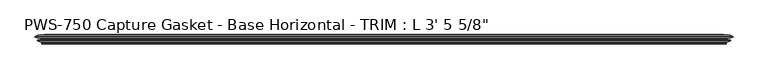
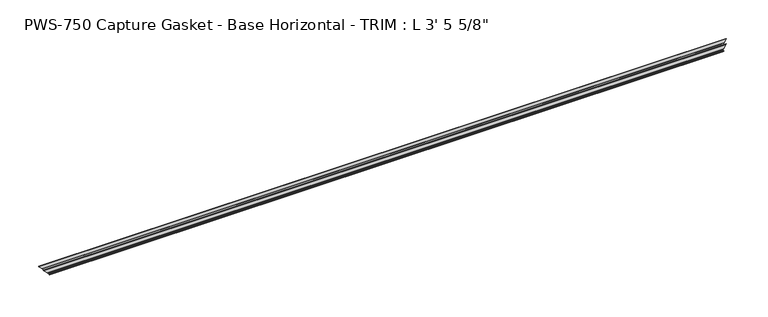
"""IFC4 building model written with IfcOpenShell, lengths in millimetres: proxy geometry."""

from ifc_helpers import new_model, si_unit, origin, place, context, project, spatial, faceted_brep, source, transform, mapped, element, save


def proxy_ec38c475(model_context):
    return source(origin(), model_context, "Body", "Brep", [
        faceted_brep([(1046.7569896, -11.3058688, 3.7741579), (1047.3055985, -10.5185521, 4.3227669), (9.9694015, -10.5185521, 4.3227669), (10.5180104, -11.3058688, 3.7741579), (1050.4208472, -10.1484847, 7.4380156), (6.8541528, -10.1484847, 7.4380156), (1049.1215317, -11.2380874, 6.1387001), (8.1534683, -11.2380874, 6.1387001), (1053.0662413, -9.8326365, 10.0834097), (4.2087587, -9.8326365, 10.0834097), (1053.6555985, -9.077363, 10.6727669), (3.6194015, -9.077363, 10.6727669), (1053.0294399, -8.3570499, 10.0466082), (4.2455601, -8.3570499, 10.0466082), (1049.1215317, -6.964711, 6.1387001), (8.1534683, -6.964711, 6.1387001), (1050.4208472, -8.0543136, 7.4380156), (6.8541528, -8.0543136, 7.4380156), (1047.3055985, -7.6842462, 4.3227669), (9.9694015, -7.6842462, 4.3227669), (1047.3055985, -4.8395867, 4.3227669), (9.9694015, -4.8395867, 4.3227669), (1052.8924953, -4.8395867, 9.9096637), (4.3825047, -4.8395867, 9.9096637), (0.0, -3.7618735, 14.2921683), (1057.275, -3.7618735, 14.2921683), (1057.0284438, -2.7592562, 14.0456121), (0.2465562, -2.7592562, 14.0456121), (1051.9263857, -0.3893608, 8.9435541), (5.3486143, -0.3893608, 8.9435541), (1053.9824272, -2.4454023, 10.9995955), (3.2925728, -2.4454023, 10.9995955), (1051.8156521, -2.4454023, 8.8328204), (5.4593479, -2.4454023, 8.8328204), (1048.8456868, -0.3893608, 5.8628551), (8.4293132, -0.3893608, 5.8628551), (1050.6887223, -2.6340331, 7.7058906), (6.5862777, -2.6340331, 7.7058906), (1047.5837389, -2.3338527, 4.6009073), (9.6912611, -2.3338527, 4.6009073), (1043.3479819, 0.0, 0.3651502), (13.9270181, 0.0, 0.3651502), (1042.9828317, -0.7787217, 0.0), (14.2921683, -0.7787217, 0.0), (1045.5349092, -3.3307993, 2.5520776), (11.7400908, -3.3307993, 2.5520776), (1045.8804886, -13.0602862, 2.897657), (11.3945114, -13.0602862, 2.897657), (1047.2386873, -14.4184849, 4.2558556), (10.0363127, -14.4184849, 4.2558556), (1047.2386873, -13.3109165, 4.2558556), (10.0363127, -13.3109165, 4.2558556)], [[[0, 1, 2, 3]], [[1, 4, 5, 2]], [[4, 6, 7, 5]], [[6, 8, 9, 7]], [[8, 10, 11, 9]], [[10, 12, 13, 11]], [[12, 14, 15, 13]], [[14, 16, 17, 15]], [[16, 18, 19, 17]], [[18, 20, 21, 19]], [[20, 22, 23, 21]], [[24, 23, 22, 25]], [[25, 26, 27, 24]], [[26, 28, 29, 27]], [[28, 30, 31, 29]], [[30, 32, 33, 31]], [[32, 34, 35, 33]], [[34, 36, 37, 35]], [[36, 38, 39, 37]], [[38, 40, 41, 39]], [[40, 42, 43, 41]], [[42, 44, 45, 43]], [[44, 46, 47, 45]], [[46, 48, 49, 47]], [[48, 50, 51, 49]], [[3, 51, 50, 0]], [[0, 50, 48, 46, 44, 42, 40, 38, 36, 34, 32, 30, 28, 26, 25, 22, 20, 18, 16, 14, 12, 10, 8, 6, 4, 1]], [[2, 5, 7, 9, 11, 13, 15, 17, 19, 21, 23, 24, 27, 29, 31, 33, 35, 37, 39, 41, 43, 45, 47, 49, 51, 3]]]),
    ])


if __name__ == "__main__":
    model = new_model("IFC4")
    model_context = context("Model", 3, world=origin())
    ifc_project = project(units=[si_unit("LENGTHUNIT", "METRE", prefix="MILLI")], contexts=[model_context])
    site = spatial("IfcSite", under=ifc_project)
    building = spatial("IfcBuilding", under=site)
    placement = place(None, origin())
    proxy_shape = proxy_ec38c475(model_context)
    element("IfcBuildingElementProxy", 1, Name="PWS-750 Capture Gasket - Base Horizontal - TRIM : L 3' 5 5/8\"", ObjectType="PWS-750 Capture Gasket - Base Horizontal - TRIM : L 3' 5 5/8\"", at=placement, inside=building, context=model_context, shape_type="MappedRepresentation", body=[
        mapped(proxy_shape, transform((0.0, 0.0, 0.0), x_axis=(1.0, 0.0, 0.0), y_axis=(0.0, 1.0, 0.0), z_axis=(0.0, 0.0, 1.0))),
    ])
    save(model, "model.ifc")
